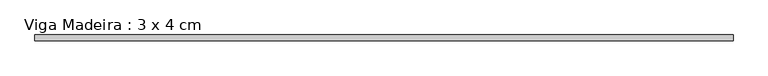
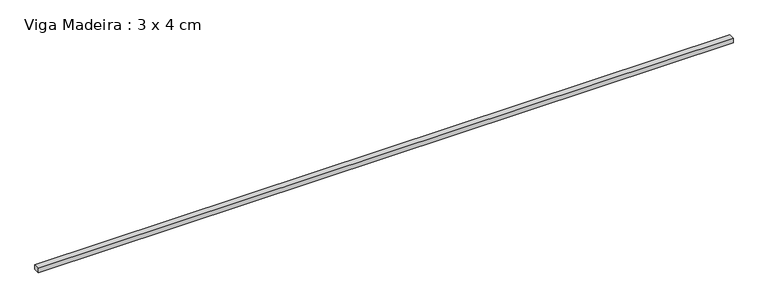
"""IFC4 building model written with IfcOpenShell, lengths in millimetres: beam geometry, Viga Madeira : 3 x 4 cm."""

from ifc_helpers import new_model, si_unit, frame, origin, place, context, project, spatial, polyline, outline, extrude, source, transform, mapped, element, save


def viga_madeira_3_x_4_cm_e510d995(model_context):
    return source(origin(), model_context, "Body", "SweptSolid", [
        extrude(outline(polyline([(2337.6160531, 20.0), (2337.6160531, -20.0), (-2337.6160531, -20.0), (-2337.6160531, 20.0), (2337.6160531, 20.0)])), frame((0.0, 0.0, -15.0), z_axis=(0.0, 0.0, 1.0), x_axis=(1.0, 0.0, 0.0)), (0.0, 0.0, 1.0), 30.0),
    ])


if __name__ == "__main__":
    model = new_model("IFC4")
    model_context = context("Model", 3, world=origin())
    ifc_project = project(units=[si_unit("LENGTHUNIT", "METRE", prefix="MILLI")], contexts=[model_context])
    site = spatial("IfcSite", under=ifc_project)
    building = spatial("IfcBuilding", under=site)
    placement = place(None, origin())
    viga_madeira_3_x_4_cm_shape = viga_madeira_3_x_4_cm_e510d995(model_context)
    element("IfcBeam", 1, ObjectType="Viga Madeira : 3 x 4 cm", at=placement, inside=building, context=model_context, shape_type="MappedRepresentation", body=[
        mapped(viga_madeira_3_x_4_cm_shape, transform((0.0, 0.0, 0.0), x_axis=(1.0, 0.0, 0.0), y_axis=(0.0, 1.0, 0.0), z_axis=(0.0, 0.0, 1.0))),
    ])
    save(model, "model.ifc")
